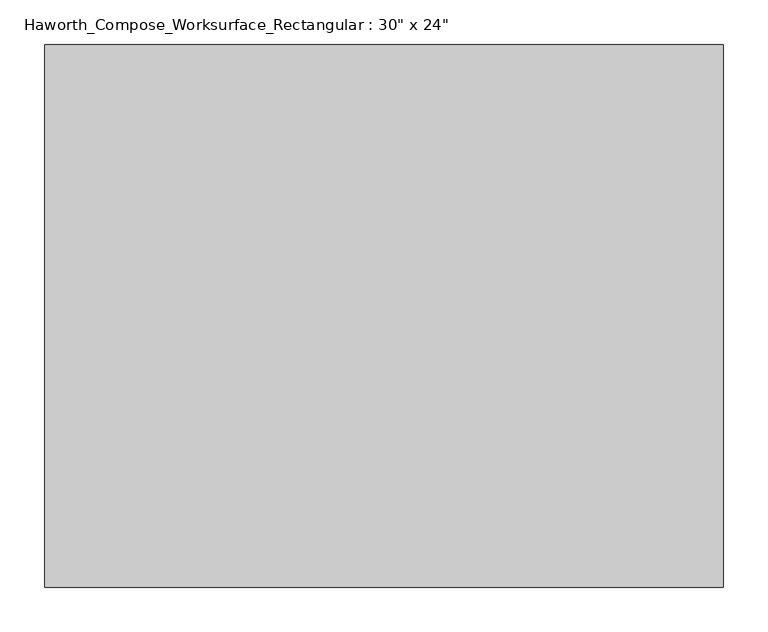
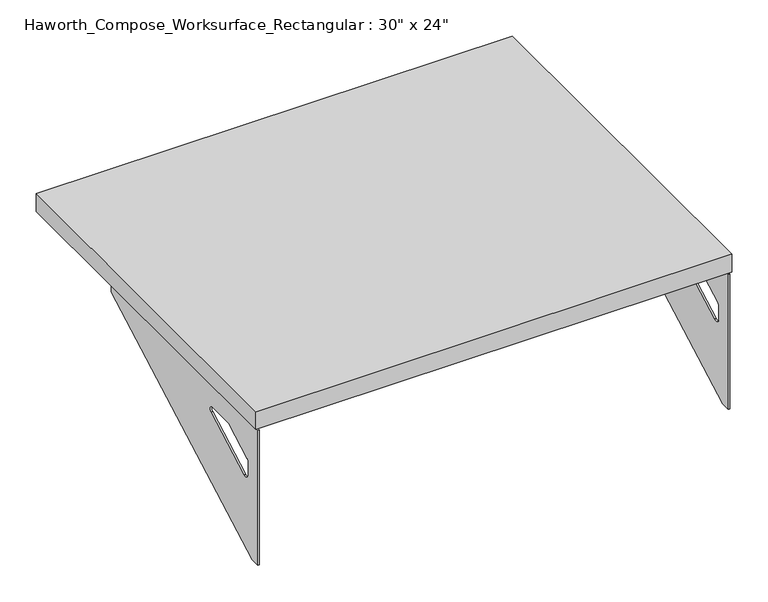
"""IFC4 building model written with IfcOpenShell, lengths in millimetres: furniture geometry."""

from ifc_helpers import new_model, si_unit, frame, origin, place, context, project, spatial, polyline, circle_curve, outline, extrude, source, transform, mapped, element, save
from ifc_brep_helpers import plane_surface, revolved_surface, advanced_brep


def furniture_36014463(model_context):
    return source(origin(), model_context, "Body", "SolidModel", [
        advanced_brep(
        [(375.44375, -304.8, 475.45625), (375.44375, -304.8, 704.05625), (375.44375, -288.925, 704.05625), (375.44375, 101.6, 704.05625), (375.44375, 101.6, 691.7192568), (375.44375, -288.925, 475.45625), (375.44375, -221.490072, 665.95625), (375.44375, -224.5663437, 665.1613425), (375.44375, -274.4730055, 637.5242776), (375.44375, -276.225, 634.6860246), (375.44375, -276.225, 611.1756969), (375.44375, -266.8776173, 605.5776439), (375.44375, -175.1564235, 656.3705539), (375.44375, -177.8355284, 665.95625), (377.825, -304.8, 475.45625), (377.825, -288.925, 475.45625), (377.825, 101.6, 691.7192568), (377.825, 101.6, 706.4375), (377.825, -288.925, 706.4375), (377.825, -288.925, 704.05625), (377.825, -304.8, 704.05625), (377.825, -221.490072, 665.95625), (377.825, -177.8355284, 665.95625), (377.825, -175.1564235, 656.3705539), (377.825, -266.8776173, 605.5776439), (377.825, -276.225, 611.1756969), (377.825, -276.225, 634.6860246), (377.825, -274.4730055, 637.5242776), (377.825, -224.5663437, 665.1613425), (336.55, 101.6, 704.05625), (336.55, 101.6, 706.4375), (336.55, -288.925, 704.05625), (336.55, -288.925, 706.4375)],
        [
            (0, 1),
            (1, 2),
            (2, 3),
            (3, 4),
            (4, 5),
            (5, 0),
            (6, 7, circle_curve(frame((375.44375, -221.490072, 659.60625), z_axis=(1.0, 0.0, 0.0), x_axis=(0.0, 1.0, 0.0)), 6.35)),
            (7, 8),
            (8, 9, circle_curve(frame((375.44375, -273.05, 634.6860246), z_axis=(1.0, 0.0, 0.0), x_axis=(0.0, 1.0, 0.0)), 3.175)),
            (9, 10),
            (10, 11, circle_curve(frame((375.44375, -269.875, 611.1756969), z_axis=(1.0, 0.0, 0.0), x_axis=(0.0, 1.0, 0.0)), 6.35)),
            (11, 12),
            (12, 13, circle_curve(frame((375.44375, -177.8355284, 660.7890106), z_axis=(1.0, 0.0, 0.0), x_axis=(0.0, 1.0, 0.0)), 5.1672394)),
            (13, 6),
            (14, 15),
            (15, 16),
            (16, 17),
            (17, 18),
            (18, 19),
            (19, 20),
            (20, 14),
            (21, 22),
            (22, 23, circle_curve(frame((377.825, -177.8355284, 660.7890106), z_axis=(-1.0, 0.0, 0.0), x_axis=(0.0, 1.0, 0.0)), 5.1672394)),
            (23, 24),
            (24, 25, circle_curve(frame((377.825, -269.875, 611.1756969), z_axis=(-1.0, 0.0, 0.0), x_axis=(0.0, 1.0, 0.0)), 6.35)),
            (25, 26),
            (26, 27, circle_curve(frame((377.825, -273.05, 634.6860246), z_axis=(-1.0, 0.0, 0.0), x_axis=(0.0, 1.0, 0.0)), 3.175)),
            (27, 28),
            (28, 21, circle_curve(frame((377.825, -221.490072, 659.60625), z_axis=(-1.0, 0.0, 0.0), x_axis=(0.0, 1.0, 0.0)), 6.35)),
            (1, 20),
            (19, 2),
            (0, 14),
            (5, 15),
            (4, 16),
            (3, 29),
            (29, 30),
            (30, 17),
            (13, 22),
            (21, 6),
            (10, 25),
            (24, 11),
            (9, 26),
            (8, 27),
            (12, 23),
            (31, 29),
            (2, 31),
            (32, 18),
            (30, 32),
            (32, 31),
            (7, 28),
        ],
        [
            plane_surface(frame((375.44375, -304.8, 475.45625), z_axis=(-1.0, 0.0, 0.0), x_axis=(0.0, -1.0, 0.0))),
            plane_surface(frame((377.825, -304.8, 475.45625), z_axis=(1.0, 0.0, 0.0), x_axis=(0.0, 1.0, 0.0))),
            plane_surface(frame((377.825, 101.6, 704.05625), z_axis=(0.0, 0.0, 1.0), x_axis=(-1.0, 0.0, 0.0))),
            plane_surface(frame((377.825, -304.8, 704.05625), z_axis=(0.0, -1.0, 0.0), x_axis=(-1.0, 0.0, 0.0))),
            plane_surface(frame((377.825, -304.8, 475.45625), z_axis=(0.0, 0.0, -1.0), x_axis=(-1.0, 0.0, 0.0))),
            plane_surface(frame((377.825, -288.925, 475.45625), z_axis=(0.0, 0.48445223513455843, -0.8748177135112952), x_axis=(-1.0, 0.0, 0.0))),
            plane_surface(frame((377.825, 101.6, 691.7192568), z_axis=(0.0, 1.0, 0.0), x_axis=(-1.0, 0.0, 0.0))),
            plane_surface(frame((377.825, -221.490072, 665.95625), z_axis=(0.0, 0.0, -1.0), x_axis=(-1.0, 0.0, 0.0))),
            revolved_surface(polyline([(375.44375, -263.525, 611.1756969), (377.825, -263.525, 611.1756969)]), (377.825, -269.875, 611.1756969), (-1.0, 0.0, 0.0)),
            plane_surface(frame((377.825, -276.225, 611.1756969), z_axis=(0.0, 1.0, 0.0), x_axis=(-1.0, 0.0, 0.0))),
            revolved_surface(polyline([(375.44375, -269.875, 634.6860246), (377.825, -269.875, 634.6860246)]), (377.825, -273.05, 634.6860246), (-1.0, 0.0, 0.0)),
            revolved_surface(polyline([(375.44375, -172.668289, 660.7890106), (377.825, -172.668289, 660.7890106)]), (377.825, -177.8355284, 660.7890106), (-1.0, 0.0, 0.0)),
            plane_surface(frame((377.825, -288.925, 704.05625), z_axis=(0.0, 0.0, -1.0), x_axis=(-1.0, 0.0, 0.0))),
            plane_surface(frame((377.825, -288.925, 706.4375), z_axis=(0.0, 0.0, 1.0), x_axis=(1.0, 0.0, 0.0))),
            plane_surface(frame((336.55, -288.925, 706.4375), z_axis=(0.0, -1.0, 0.0), x_axis=(0.0, 0.0, -1.0))),
            plane_surface(frame((336.55, 101.6, 706.4375), z_axis=(-1.0, 0.0, 0.0), x_axis=(0.0, 0.0, -1.0))),
            plane_surface(frame((377.825, -175.1564235, 656.3705539), z_axis=(0.0, -0.4844522351345583, 0.8748177135112953), x_axis=(-1.0, 0.0, 0.0))),
            plane_surface(frame((377.825, -274.4730055, 637.5242776), z_axis=(0.0, 0.4844522351345582, -0.8748177135112953), x_axis=(-1.0, 0.0, 0.0))),
            revolved_surface(polyline([(375.44375, -215.140072, 659.60625), (377.825, -215.140072, 659.60625)]), (377.825, -221.490072, 659.60625), (-1.0, 0.0, 0.0)),
        ],
        [
            (0, [[1, 2, 3, 4, 5, 6], [7, 8, 9, 10, 11, 12, 13, 14]]),
            (1, [[15, 16, 17, 18, 19, 20, 21], [22, 23, 24, 25, 26, 27, 28, 29]]),
            (2, [[30, -20, 31, -2]]),
            (3, [[-1, 32, -21, -30]]),
            (4, [[-6, 33, -15, -32]]),
            (5, [[-5, 34, -16, -33]]),
            (6, [[-4, 35, 36, 37, -17, -34]]),
            (7, [[-14, 38, -22, 39]]),
            (8, [[-11, 40, -25, 41]]),
            (9, [[-10, 42, -26, -40]]),
            (10, [[-9, 43, -27, -42]]),
            (11, [[-13, 44, -23, -38]]),
            (12, [[45, -35, -3, 46]]),
            (13, [[47, -18, -37, 48]]),
            (14, [[-47, 49, -46, -31, -19]]),
            (15, [[-45, -49, -48, -36]]),
            (16, [[-12, -41, -24, -44]]),
            (17, [[-8, 50, -28, -43]]),
            (18, [[-7, -39, -29, -50]]),
        ],
    ),
        advanced_brep(
        [(-375.44375, -304.8, 475.45625), (-375.44375, -288.925, 475.45625), (-375.44375, 101.6, 691.7192568), (-375.44375, 101.6, 704.05625), (-375.44375, -288.925, 704.05625), (-375.44375, -304.8, 704.05625), (-375.44375, -221.490072, 665.95625), (-375.44375, -177.8355284, 665.95625), (-375.44375, -175.1564235, 656.3705539), (-375.44375, -266.8776173, 605.5776439), (-375.44375, -276.225, 611.1756969), (-375.44375, -276.225, 634.6860246), (-375.44375, -274.4730055, 637.5242776), (-375.44375, -224.5663437, 665.1613425), (-377.825, -304.8, 475.45625), (-377.825, -304.8, 704.05625), (-377.825, -288.925, 704.05625), (-377.825, -288.925, 706.4375), (-377.825, 101.6, 706.4375), (-377.825, 101.6, 691.7192568), (-377.825, -288.925, 475.45625), (-377.825, -221.490072, 665.95625), (-377.825, -224.5663437, 665.1613425), (-377.825, -274.4730055, 637.5242776), (-377.825, -276.225, 634.6860246), (-377.825, -276.225, 611.1756969), (-377.825, -266.8776173, 605.5776439), (-377.825, -175.1564235, 656.3705539), (-377.825, -177.8355284, 665.95625), (-336.55, 101.6, 706.4375), (-336.55, 101.6, 704.05625), (-336.55, -288.925, 704.05625), (-336.55, -288.925, 706.4375)],
        [
            (0, 1),
            (1, 2),
            (2, 3),
            (3, 4),
            (4, 5),
            (5, 0),
            (6, 7),
            (7, 8, circle_curve(frame((-375.44375, -177.8355284, 660.7890106), z_axis=(-1.0, 0.0, 0.0), x_axis=(0.0, 1.0, 0.0)), 5.1672394)),
            (8, 9),
            (9, 10, circle_curve(frame((-375.44375, -269.875, 611.1756969), z_axis=(-1.0, 0.0, 0.0), x_axis=(0.0, 1.0, 0.0)), 6.35)),
            (10, 11),
            (11, 12, circle_curve(frame((-375.44375, -273.05, 634.6860246), z_axis=(-1.0, 0.0, 0.0), x_axis=(0.0, 1.0, 0.0)), 3.175)),
            (12, 13),
            (13, 6, circle_curve(frame((-375.44375, -221.490072, 659.60625), z_axis=(-1.0, 0.0, 0.0), x_axis=(0.0, 1.0, 0.0)), 6.35)),
            (14, 15),
            (15, 16),
            (16, 17),
            (17, 18),
            (18, 19),
            (19, 20),
            (20, 14),
            (21, 22, circle_curve(frame((-377.825, -221.490072, 659.60625), z_axis=(1.0, 0.0, 0.0), x_axis=(0.0, 1.0, 0.0)), 6.35)),
            (22, 23),
            (23, 24, circle_curve(frame((-377.825, -273.05, 634.6860246), z_axis=(1.0, 0.0, 0.0), x_axis=(0.0, 1.0, 0.0)), 3.175)),
            (24, 25),
            (25, 26, circle_curve(frame((-377.825, -269.875, 611.1756969), z_axis=(1.0, 0.0, 0.0), x_axis=(0.0, 1.0, 0.0)), 6.35)),
            (26, 27),
            (27, 28, circle_curve(frame((-377.825, -177.8355284, 660.7890106), z_axis=(1.0, 0.0, 0.0), x_axis=(0.0, 1.0, 0.0)), 5.1672394)),
            (28, 21),
            (4, 16),
            (15, 5),
            (14, 0),
            (20, 1),
            (19, 2),
            (18, 29),
            (29, 30),
            (30, 3),
            (6, 21),
            (28, 7),
            (9, 26),
            (25, 10),
            (24, 11),
            (23, 12),
            (27, 8),
            (31, 4),
            (30, 31),
            (32, 29),
            (17, 32),
            (31, 32),
            (22, 13),
        ],
        [
            plane_surface(frame((-375.44375, -304.8, 475.45625), z_axis=(1.0, 0.0, 0.0), x_axis=(0.0, -1.0, 0.0))),
            plane_surface(frame((-377.825, -304.8, 475.45625), z_axis=(-1.0, 0.0, 0.0), x_axis=(0.0, 1.0, 0.0))),
            plane_surface(frame((-377.825, 101.6, 704.05625), z_axis=(0.0, 0.0, 1.0), x_axis=(1.0, 0.0, 0.0))),
            plane_surface(frame((-377.825, -304.8, 704.05625), z_axis=(0.0, -1.0, 0.0), x_axis=(1.0, 0.0, 0.0))),
            plane_surface(frame((-377.825, -304.8, 475.45625), z_axis=(0.0, 0.0, -1.0), x_axis=(1.0, 0.0, 0.0))),
            plane_surface(frame((-377.825, -288.925, 475.45625), z_axis=(0.0, 0.48445223513455843, -0.8748177135112952), x_axis=(1.0, 0.0, 0.0))),
            plane_surface(frame((-377.825, 101.6, 691.7192568), z_axis=(0.0, 1.0, 0.0), x_axis=(1.0, 0.0, 0.0))),
            plane_surface(frame((-377.825, -221.490072, 665.95625), z_axis=(0.0, 0.0, -1.0), x_axis=(1.0, 0.0, 0.0))),
            revolved_surface(polyline([(-375.44375, -263.525, 611.1756969), (-377.825, -263.525, 611.1756969)]), (-377.825, -269.875, 611.1756969), (1.0, 0.0, 0.0)),
            plane_surface(frame((-377.825, -276.225, 611.1756969), z_axis=(0.0, 1.0, 0.0), x_axis=(1.0, 0.0, 0.0))),
            revolved_surface(polyline([(-375.44375, -269.875, 634.6860246), (-377.825, -269.875, 634.6860246)]), (-377.825, -273.05, 634.6860246), (1.0, 0.0, 0.0)),
            revolved_surface(polyline([(-375.44375, -172.668289, 660.7890106), (-377.825, -172.668289, 660.7890106)]), (-377.825, -177.8355284, 660.7890106), (1.0, 0.0, 0.0)),
            plane_surface(frame((-377.825, -288.925, 704.05625), z_axis=(0.0, 0.0, -1.0), x_axis=(1.0, 0.0, 0.0))),
            plane_surface(frame((-377.825, -288.925, 706.4375), z_axis=(0.0, 0.0, 1.0), x_axis=(-1.0, 0.0, 0.0))),
            plane_surface(frame((-336.55, -288.925, 706.4375), z_axis=(0.0, -1.0, 0.0), x_axis=(0.0, 0.0, -1.0))),
            plane_surface(frame((-336.55, 101.6, 706.4375), z_axis=(1.0, 0.0, 0.0), x_axis=(0.0, 0.0, -1.0))),
            plane_surface(frame((-377.825, -175.1564235, 656.3705539), z_axis=(0.0, -0.4844522351345583, 0.8748177135112953), x_axis=(1.0, 0.0, 0.0))),
            plane_surface(frame((-377.825, -274.4730055, 637.5242776), z_axis=(0.0, 0.4844522351345582, -0.8748177135112953), x_axis=(1.0, 0.0, 0.0))),
            revolved_surface(polyline([(-375.44375, -215.140072, 659.60625), (-377.825, -215.140072, 659.60625)]), (-377.825, -221.490072, 659.60625), (1.0, 0.0, 0.0)),
        ],
        [
            (0, [[1, 2, 3, 4, 5, 6], [7, 8, 9, 10, 11, 12, 13, 14]]),
            (1, [[15, 16, 17, 18, 19, 20, 21], [22, 23, 24, 25, 26, 27, 28, 29]]),
            (2, [[-5, 30, -16, 31]]),
            (3, [[-31, -15, 32, -6]]),
            (4, [[-32, -21, 33, -1]]),
            (5, [[-33, -20, 34, -2]]),
            (6, [[-34, -19, 35, 36, 37, -3]]),
            (7, [[38, -29, 39, -7]]),
            (8, [[40, -26, 41, -10]]),
            (9, [[-41, -25, 42, -11]]),
            (10, [[-42, -24, 43, -12]]),
            (11, [[-39, -28, 44, -8]]),
            (12, [[45, -4, -37, 46]]),
            (13, [[47, -35, -18, 48]]),
            (14, [[-17, -30, -45, 49, -48]]),
            (15, [[-36, -47, -49, -46]]),
            (16, [[-44, -27, -40, -9]]),
            (17, [[-43, -23, 50, -13]]),
            (18, [[-50, -22, -38, -14]]),
        ],
    ),
        extrude(outline(polyline([(381.0, -304.8), (-381.0, -304.8), (-381.0, 304.8), (381.0, 304.8), (381.0, -304.8)])), frame((0.0, 0.0, 706.4375), z_axis=(0.0, 0.0, 1.0), x_axis=(1.0, 0.0, 0.0)), (0.0, 0.0, 1.0), 30.1625),
    ])


if __name__ == "__main__":
    model = new_model("IFC4")
    model_context = context("Model", 3, world=origin())
    ifc_project = project(units=[si_unit("LENGTHUNIT", "METRE", prefix="MILLI")], contexts=[model_context])
    site = spatial("IfcSite", under=ifc_project)
    building = spatial("IfcBuilding", under=site)
    placement = place(None, origin())
    furniture_shape = furniture_36014463(model_context)
    element("IfcFurniture", 1, ObjectType="Haworth_Compose_Worksurface_Rectangular : 30\" x 24\"", at=placement, inside=building, context=model_context, shape_type="MappedRepresentation", body=[
        mapped(furniture_shape, transform((0.0, 0.0, 0.0), x_axis=(1.0, 0.0, 0.0), y_axis=(0.0, 1.0, 0.0), z_axis=(0.0, 0.0, 1.0))),
    ])
    save(model, "model.ifc")
